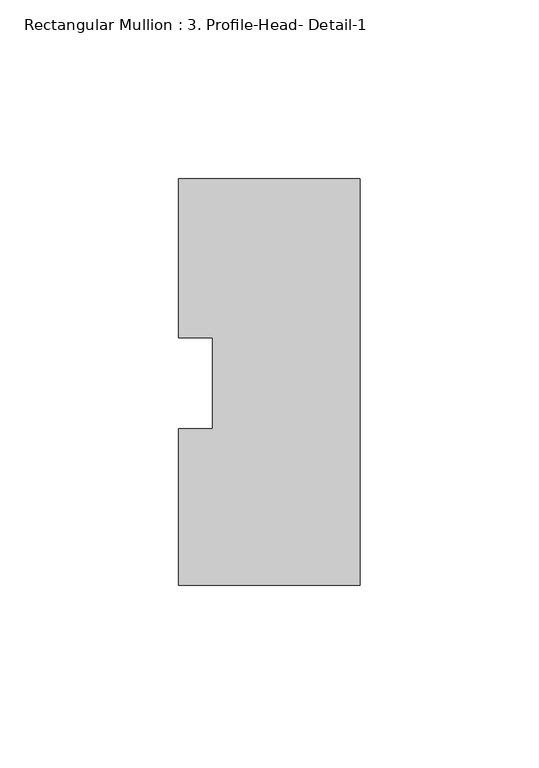
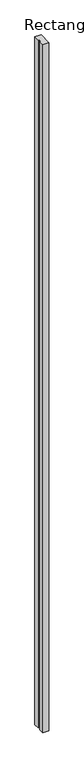
"""IFC4 building model written with IfcOpenShell, lengths in millimetres: member geometry, Rectangular Mullion : 3. Profile-Head- Detail-1."""

from ifc_helpers import new_model, si_unit, frame, origin, place, context, project, spatial, polyline, outline, extrude, source, transform, mapped, element, save


def rectangular_mullion_3_profile_head_detail_1_68f17423(model_context):
    return source(origin(), model_context, "Body", "SweptSolid", [
        extrude(outline(polyline([(0.0, -80.3197848), (-50.8, -80.3197848), (-50.8, -36.5344509), (-41.275, -36.5344509), (-41.275, -11.0398243), (-50.8, -11.0398243), (-50.8, 33.4101757), (0.0, 33.4101758), (0.0, -80.3197848)])), frame((0.0, 0.0, -6019.8), z_axis=(0.0, 0.0, 1.0), x_axis=(1.0, 0.0, 0.0)), (0.0, 0.0, 1.0), 6019.8),
    ])


if __name__ == "__main__":
    model = new_model("IFC4")
    model_context = context("Model", 3, world=origin())
    ifc_project = project(units=[si_unit("LENGTHUNIT", "METRE", prefix="MILLI")], contexts=[model_context])
    site = spatial("IfcSite", under=ifc_project)
    building = spatial("IfcBuilding", under=site)
    placement = place(None, origin())
    rectangular_mullion_3_profile_head_detail_1_shape = rectangular_mullion_3_profile_head_detail_1_68f17423(model_context)
    element("IfcMember", 1, ObjectType="Rectangular Mullion : 3. Profile-Head- Detail-1", at=placement, inside=building, context=model_context, shape_type="MappedRepresentation", body=[
        mapped(rectangular_mullion_3_profile_head_detail_1_shape, transform((0.0, 0.0, 0.0), x_axis=(1.0, 0.0, 0.0), y_axis=(0.0, 1.0, 0.0), z_axis=(0.0, 0.0, 1.0))),
    ])
    save(model, "model.ifc")
